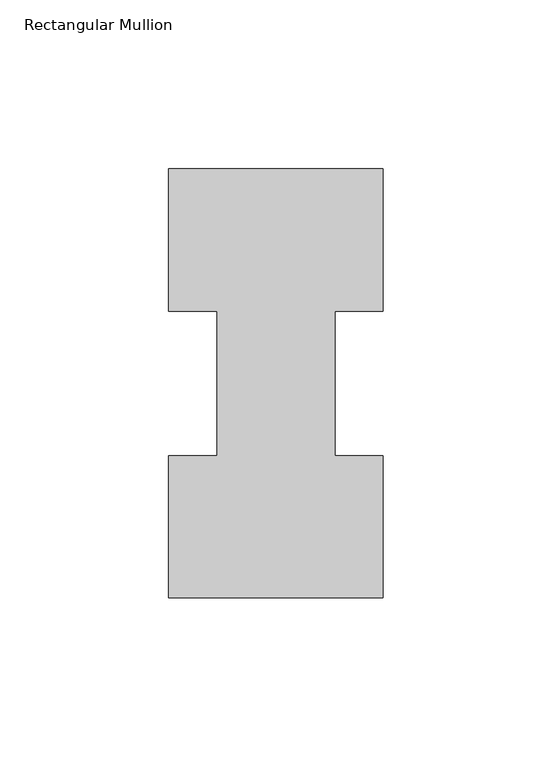
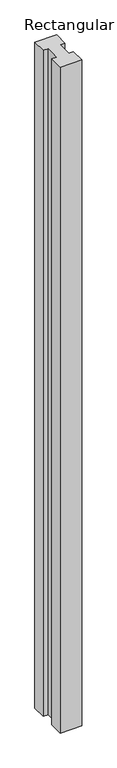
"""IFC4 building model written with IfcOpenShell, lengths in millimetres: member geometry, Rectangular Mullion."""

from ifc_helpers import new_model, si_unit, frame, origin, place, context, project, spatial, polyline, outline, extrude, source, transform, mapped, element, save


def rectangular_mullion_52a342d9(model_context):
    return source(origin(), model_context, "Body", "SweptSolid", [
        extrude(outline(polyline([(-31.75, 127.00635), (31.75, 127.00635), (31.75, 84.93125), (17.4625, 84.93125), (17.4625, 42.08145), (31.75, 42.08145), (31.75, 0.00635), (-31.75, 0.00635), (-31.75, 42.08145), (-17.4625, 42.08145), (-17.4625, 84.93125), (-31.75, 84.93125), (-31.75, 127.00635)])), frame((0.0, 0.0, -2057.4), z_axis=(0.0, 0.0, 1.0), x_axis=(1.0, 0.0, 0.0)), (0.0, 0.0, 1.0), 2057.4),
    ])


if __name__ == "__main__":
    model = new_model("IFC4")
    model_context = context("Model", 3, world=origin())
    ifc_project = project(units=[si_unit("LENGTHUNIT", "METRE", prefix="MILLI")], contexts=[model_context])
    site = spatial("IfcSite", under=ifc_project)
    building = spatial("IfcBuilding", under=site)
    placement = place(None, origin())
    rectangular_mullion_shape = rectangular_mullion_52a342d9(model_context)
    element("IfcMember", 1, ObjectType="Rectangular Mullion", at=placement, inside=building, context=model_context, shape_type="MappedRepresentation", body=[
        mapped(rectangular_mullion_shape, transform((0.0, 0.0, 0.0), x_axis=(1.0, 0.0, 0.0), y_axis=(0.0, 1.0, 0.0), z_axis=(0.0, 0.0, 1.0))),
    ])
    save(model, "model.ifc")
